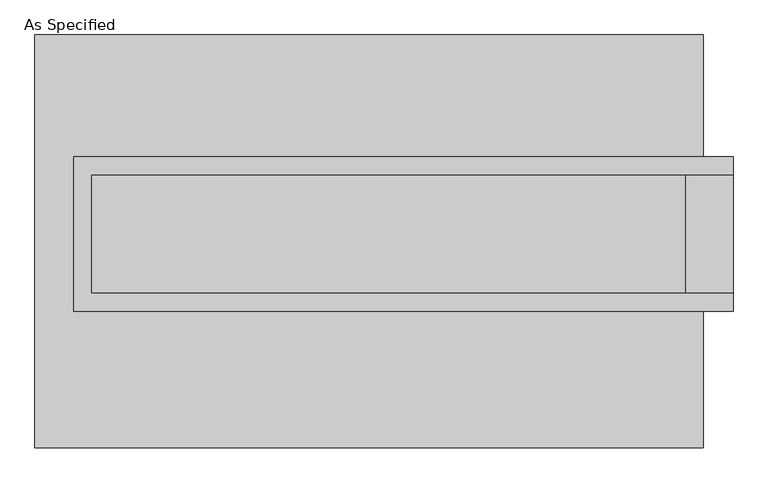
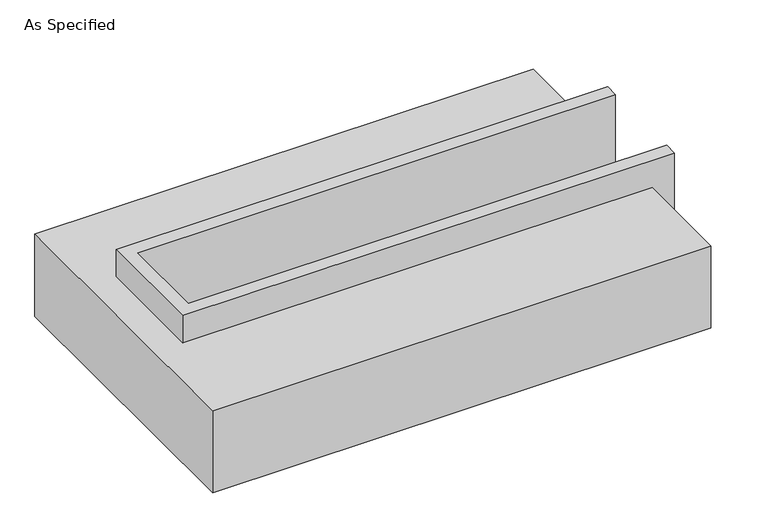
"""IFC4 building model written with IfcOpenShell, lengths in millimetres: proxy geometry, As Specified."""

from ifc_helpers import new_model, si_unit, origin, place, context, project, spatial, faceted_brep, source, transform, mapped, element, save


def as_specified_0f24df05(model_context):
    return source(origin(), model_context, "Body", "Brep", [
        faceted_brep([(-1263.65, 361.95, 139.7), (-1263.65, 361.95, -393.7), (-1263.65, 285.75, -393.7), (-1263.65, 285.75, -25.4), (-1263.65, -222.25, -25.4), (-1263.65, -222.25, -393.7), (-1263.65, -298.45, -393.7), (-1263.65, -298.45, 139.7), (1555.75, 285.75, 139.7), (1555.75, 285.75, -317.5), (1555.75, -222.25, -317.5), (1555.75, -222.25, 139.7), (1555.75, -298.45, 139.7), (1555.75, -298.45, -393.7), (1555.75, 361.95, -393.7), (1555.75, 361.95, 139.7), (-1187.45, -222.25, 139.7), (-1187.45, 285.75, 139.7), (1352.55, -222.25, -393.7), (1352.55, 285.75, -393.7), (1352.55, -222.25, -317.5), (-1187.45, -222.25, -25.4), (1352.55, 285.75, -317.5), (-1187.45, 285.75, -25.4)], [[[0, 1, 2, 3, 4, 5, 6, 7]], [[8, 9, 10, 11, 12, 13, 14, 15]], [[0, 7, 12, 11, 16, 17, 8, 15]], [[1, 0, 15, 14]], [[14, 13, 6, 5, 18, 19, 2, 1]], [[7, 6, 13, 12]], [[11, 10, 20, 18, 5, 4, 21, 16]], [[10, 9, 22, 20]], [[9, 8, 17, 23, 3, 2, 19, 22]], [[18, 20, 22, 19]], [[23, 21, 4, 3]], [[17, 16, 21, 23]]]),
        faceted_brep([(-1428.75, 882.65, -523.9742188), (1428.75, 882.65, -523.9742188), (1428.75, -882.65, -523.9742188), (-1428.75, -882.65, -523.9742188), (1428.75, 882.65, -25.4), (-1428.75, 882.65, -25.4), (-1428.75, -882.65, -25.4), (1428.75, -882.65, -25.4), (1428.75, -298.45, -25.4), (-1263.65, -298.45, -25.4), (-1263.65, 361.95, -25.4), (1428.75, 361.95, -25.4), (1428.75, 361.95, -393.7), (1428.75, -298.45, -393.7), (-1263.65, -298.45, -393.7), (-1263.65, 361.95, -393.7)], [[[0, 1, 2, 3]], [[4, 5, 6, 7, 8, 9, 10, 11]], [[1, 0, 5, 4]], [[5, 0, 3, 6]], [[1, 4, 11, 12, 13, 8, 7, 2]], [[3, 2, 7, 6]], [[14, 15, 10, 9]], [[10, 15, 12, 11]], [[15, 14, 13, 12]], [[14, 9, 8, 13]]]),
    ])


if __name__ == "__main__":
    model = new_model("IFC4")
    model_context = context("Model", 3, world=origin())
    ifc_project = project(units=[si_unit("LENGTHUNIT", "METRE", prefix="MILLI")], contexts=[model_context])
    site = spatial("IfcSite", under=ifc_project)
    building = spatial("IfcBuilding", under=site)
    placement = place(None, origin())
    as_specified_shape = as_specified_0f24df05(model_context)
    element("IfcBuildingElementProxy", 1, Name="As Specified", ObjectType="As Specified", at=placement, inside=building, context=model_context, shape_type="MappedRepresentation", body=[
        mapped(as_specified_shape, transform((0.0, 0.0, 0.0), x_axis=(1.0, 0.0, 0.0), y_axis=(0.0, 1.0, 0.0), z_axis=(0.0, 0.0, 1.0))),
    ])
    save(model, "model.ifc")
